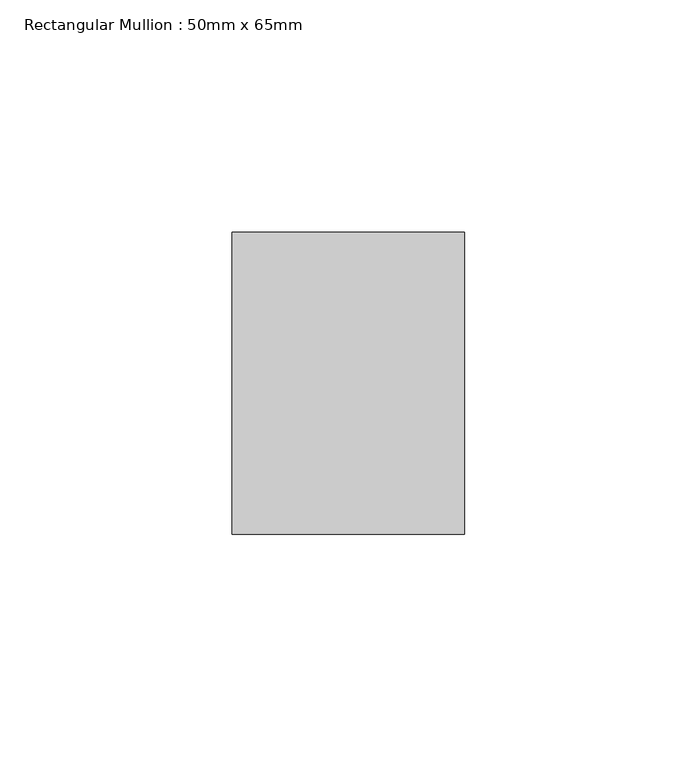
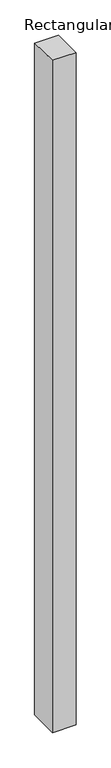
"""IFC4 building model written with IfcOpenShell, lengths in millimetres: member geometry, Rectangular Mullion : 50mm x 65mm."""

from ifc_helpers import new_model, si_unit, origin, place, context, project, spatial, faceted_brep, source, transform, mapped, element, save


def rectangular_mullion_50mm_x_65mm_ab8ab088(model_context):
    return source(origin(), model_context, "Body", "Brep", [
        faceted_brep([(-25.0, 32.5, -0.4073271), (25.0, 32.5, -0.4073265), (25.0, 32.5, -1499.6948331), (-25.0, 32.5, -1499.6948326), (-25.0, -32.5, 0.4073265), (-25.0, -32.5, -1500.306282), (25.0, -32.5, 0.4073271), (25.0, -32.5, -1500.3062825)], [[[0, 1, 2, 3]], [[4, 0, 3, 5]], [[6, 4, 5, 7]], [[1, 6, 7, 2]], [[1, 0, 4, 6]], [[2, 7, 5, 3]]]),
    ])


if __name__ == "__main__":
    model = new_model("IFC4")
    model_context = context("Model", 3, world=origin())
    ifc_project = project(units=[si_unit("LENGTHUNIT", "METRE", prefix="MILLI")], contexts=[model_context])
    site = spatial("IfcSite", under=ifc_project)
    building = spatial("IfcBuilding", under=site)
    placement = place(None, origin())
    rectangular_mullion_50mm_x_65mm_shape = rectangular_mullion_50mm_x_65mm_ab8ab088(model_context)
    element("IfcMember", 1, ObjectType="Rectangular Mullion : 50mm x 65mm", at=placement, inside=building, context=model_context, shape_type="MappedRepresentation", body=[
        mapped(rectangular_mullion_50mm_x_65mm_shape, transform((0.0, 0.0, 0.0), x_axis=(1.0, 0.0, 0.0), y_axis=(0.0, 1.0, 0.0), z_axis=(0.0, 0.0, 1.0))),
    ])
    save(model, "model.ifc")
